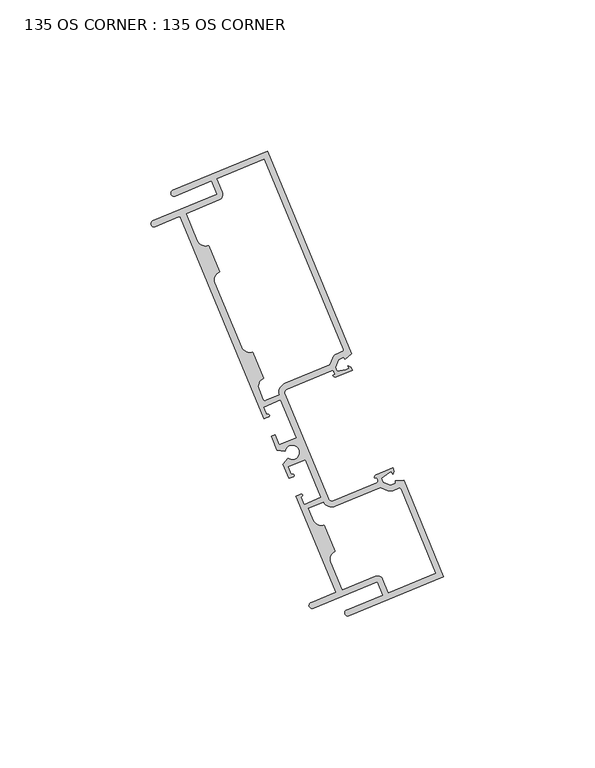
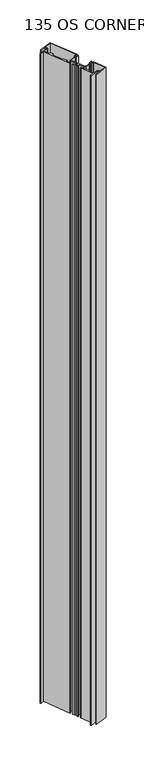
"""IFC4 building model written with IfcOpenShell, lengths in millimetres: plate geometry, 135 OS CORNER : 135 OS CORNER."""

from ifc_helpers import new_model, si_unit, frame, origin, place, context, project, spatial, polyline, circle_curve, source, transform, mapped, element, save
from ifc_brep_helpers import plane_surface, cylinder_surface, revolved_surface, extruded_surface, spline_curve, advanced_brep


def plate_135_os_corner_135_os_corner_0a768722(model_context):
    return source(origin(), model_context, "Body", "AdvancedBrep", [
        advanced_brep(
        [(-194.9893408, 120.1961381, 1710.2666667), (-194.2112684, 118.3190054, 1710.2666667), (-182.1741547, 123.3083945, 1710.2666667), (-180.3456846, 118.8971325, 1710.2666667), (-201.5807489, 110.0951888, 1710.2666667), (-200.8026765, 108.218056, 1710.2666667), (-193.0125756, 111.4470564, 1710.2666667), (-192.3487743, 111.1722913, 1710.2666667), (-164.7807218, 44.66319, 1710.2666667), (-163.2438193, 45.3002368, 1710.2666667), (-163.5453224, 46.0276257, 1710.2666667), (-164.1645528, 46.4933655, 1710.2666667), (-164.9788664, 48.4579317, 1710.2666667), (-159.2301473, 50.8407784, 1710.2666667), (-154.055966, 38.3578456, 1710.2666667), (-159.8046851, 35.9749989, 1710.2666667), (-161.1760376, 39.2834454, 1710.2666667), (-162.3492456, 38.7971502, 1710.2666667), (-160.4292832, 34.165159, 1710.2666667), (-157.8055179, 33.8203873, 1710.2666667), (-156.881557, 31.5912921, 1710.2666667), (-158.4920206, 29.4914306, 1710.2666667), (-156.5720582, 24.8594394, 1710.2666667), (-155.0351558, 25.4964862, 1710.2666667), (-155.7726229, 26.2474772, 1710.2666667), (-156.7702028, 28.6541812, 1710.2666667), (-151.0214837, 31.0370278, 1710.2666667), (-145.8473025, 18.554095, 1710.2666667), (-151.5960215, 16.1712483, 1710.2666667), (-152.5921198, 18.5743779, 1710.2666667), (-152.602198, 19.626872, 1710.2666667), (-154.1391005, 18.9898253, 1710.2666667), (-140.9570939, -12.8123272, 1710.2666667), (-149.2164781, -16.2358456, 1710.2666667), (-148.4384057, -18.1129784, 1710.2666667), (-127.2033414, -9.3110347, 1710.2666667), (-125.3748713, -13.7222966, 1710.2666667), (-137.4119851, -18.7116857, 1710.2666667), (-136.6339127, -20.5888185, 1710.2666667), (-105.3092599, -7.6047357, 1710.2666667), (-118.5075041, 24.2365908, 1710.2666667), (-121.2630077, 24.0851063, 1710.2666667), (-121.2201487, 23.3055004, 1710.2666667), (-122.9064587, 22.6065242, 1710.2666667), (-125.3610823, 23.6237524, 1710.2666667), (-125.9255118, 24.9854625, 1710.2666667), (-123.4088012, 26.7412253, 1710.2666667), (-122.5171631, 27.1108097, 1710.2666667), (-122.1561246, 26.2397887, 1710.2666667), (-121.7158662, 27.303403, 1710.2666667), (-122.154263, 28.361054, 1710.2666667), (-127.5705003, 26.1160212, 1710.2666667), (-128.0926226, 24.8546328, 1710.2666667), (-127.3701832, 25.1540843, 1710.2666667), (-127.0103247, 24.2859104, 1710.2666667), (-127.3537811, 23.4561588, 1710.2666667), (-141.8194354, 17.4601386, 1710.2666667), (-143.4789386, 18.1470513, 1710.2666667), (-157.8344711, 52.7803853, 1710.2666667), (-157.1475584, 54.4398885, 1710.2666667), (-142.4069335, 60.5498842, 1710.2666667), (-141.5771819, 60.2064278, 1710.2666667), (-141.2173234, 59.3382539, 1710.2666667), (-142.0085055, 59.0103086, 1710.2666667), (-140.7471171, 58.4881862, 1710.2666667), (-135.5371078, 60.6477374, 1710.2666667), (-135.9755046, 61.7053884, 1710.2666667), (-137.039119, 62.1456468, 1710.2666667), (-136.6780804, 61.2746258, 1710.2666667), (-137.5697184, 60.9050415, 1710.2666667), (-140.5905495, 60.3654908, 1710.2666667), (-141.1549789, 61.7272009, 1710.2666667), (-140.1397892, 64.1826683, 1710.2666667), (-138.4534792, 64.8816445, 1710.2666667), (-137.9322358, 64.3003292, 1710.2666667), (-135.8775867, 66.1426552, 1710.2666667), (-163.664688, 133.1802209, 1710.2666667), (-190.431518, 112.5169059, 1710.2666667), (-179.5676122, 117.0199998, 1710.2666667), (-178.4685518, 119.6752049, 1710.2666667), (-180.2970219, 124.0864669, 1710.2666667), (-164.7637483, 130.5250158, 1710.2666667), (-138.6589339, 67.5460386, 1710.2666667), (-138.933699, 66.8822373, 1710.2666667), (-140.6747395, 66.1605752, 1710.2666667), (-142.1181793, 64.7158288, 1710.2666667), (-143.0395379, 62.4873135, 1710.2666667), (-157.9256308, 56.3170213, 1710.2666667), (-159.8728349, 52.4992101, 1710.2666667), (-164.2518787, 50.6840945, 1710.2666667), (-164.91568, 50.9588596, 1710.2666667), (-166.3112744, 54.3257905, 1710.2666667), (-164.8000664, 57.9766975, 1710.2666667), (-168.4472806, 66.7757573, 1710.2666667), (-172.0981877, 68.2869653, 1710.2666667), (-180.9049944, 89.5337617, 1710.2666667), (-179.3937864, 93.1846688, 1710.2666667), (-183.0410006, 101.9837286, 1710.2666667), (-186.6919077, 103.4949366, 1710.2666667), (-121.8852643, 20.8301656, 1710.2666667), (-120.1442237, 21.5518277, 1710.2666667), (-119.4804224, 21.2770626, 1710.2666667), (-107.964465, -6.5056754, 1710.2666667), (-123.4977386, -12.9442243, 1710.2666667), (-125.3262086, -8.5329623, 1710.2666667), (-127.9814138, -7.4339019, 1710.2666667), (-138.8453196, -11.9369958, 1710.2666667), (-142.5897929, -2.9032944, 1710.2666667), (-141.0785849, 0.7476127, 1710.2666667), (-144.7257991, 9.5466725, 1710.2666667), (-148.3767062, 11.0578805, 1710.2666667), (-149.9765932, 14.917676, 1710.2666667), (-145.1319378, 16.9257879, 1710.2666667), (-141.041363, 15.5830058, 1710.2666667), (-126.1552701, 21.7532981, 1710.2666667), (-123.9275206, 20.8300895, 1710.2666667), (-194.9893408, 120.1961381, 0.0), (-163.664688, 133.1802209, 0.0), (-135.8775867, 66.1426552, 0.0), (-137.9322358, 64.3003292, 0.0), (-138.4534792, 64.8816445, 0.0), (-140.1397892, 64.1826683, 0.0), (-141.1549789, 61.7272009, 0.0), (-140.5905495, 60.3654908, 0.0), (-137.5697184, 60.9050415, 0.0), (-136.6780804, 61.2746258, 0.0), (-137.039119, 62.1456468, 0.0), (-135.9755046, 61.7053884, 0.0), (-135.5371078, 60.6477374, 0.0), (-140.7471171, 58.4881862, 0.0), (-142.0085055, 59.0103086, 0.0), (-141.2173234, 59.3382539, 0.0), (-141.5771819, 60.2064278, 0.0), (-142.4069335, 60.5498842, 0.0), (-157.1475584, 54.4398885, 0.0), (-157.8344711, 52.7803853, 0.0), (-143.4789386, 18.1470513, 0.0), (-141.8194354, 17.4601386, 0.0), (-127.3537811, 23.4561588, 0.0), (-127.0103247, 24.2859104, 0.0), (-127.3701832, 25.1540843, 0.0), (-128.0926226, 24.8546328, 0.0), (-127.5705003, 26.1160212, 0.0), (-122.154263, 28.361054, 0.0), (-121.7158662, 27.303403, 0.0), (-122.1561246, 26.2397887, 0.0), (-122.5171631, 27.1108097, 0.0), (-123.4088012, 26.7412253, 0.0), (-125.9255118, 24.9854625, 0.0), (-125.3610823, 23.6237524, 0.0), (-122.9064587, 22.6065242, 0.0), (-121.2201487, 23.3055004, 0.0), (-121.2630077, 24.0851063, 0.0), (-118.5075041, 24.2365908, 0.0), (-105.3092599, -7.6047357, 0.0), (-136.6339127, -20.5888185, 0.0), (-137.4119851, -18.7116857, 0.0), (-125.3748713, -13.7222966, 0.0), (-127.2033414, -9.3110347, 0.0), (-148.4384057, -18.1129784, 0.0), (-149.2164781, -16.2358456, 0.0), (-140.9570939, -12.8123272, 0.0), (-154.1391005, 18.9898253, 0.0), (-152.602198, 19.626872, 0.0), (-152.5921198, 18.5743779, 0.0), (-151.5960215, 16.1712483, 0.0), (-145.8473025, 18.554095, 0.0), (-151.0214837, 31.0370278, 0.0), (-156.7702028, 28.6541812, 0.0), (-155.7726229, 26.2474772, 0.0), (-155.0351558, 25.4964862, 0.0), (-156.5720582, 24.8594394, 0.0), (-158.4920206, 29.4914306, 0.0), (-156.881557, 31.5912921, 0.0), (-157.8055179, 33.8203873, 0.0), (-160.4292832, 34.165159, 0.0), (-162.3492456, 38.7971502, 0.0), (-161.1760376, 39.2834454, 0.0), (-159.8046851, 35.9749989, 0.0), (-154.055966, 38.3578456, 0.0), (-159.2301473, 50.8407784, 0.0), (-164.9788664, 48.4579317, 0.0), (-164.1645528, 46.4933655, 0.0), (-163.5453224, 46.0276257, 0.0), (-163.2438193, 45.3002368, 0.0), (-164.7807218, 44.66319, 0.0), (-192.3487743, 111.1722913, 0.0), (-193.0125756, 111.4470564, 0.0), (-200.8026765, 108.218056, 0.0), (-201.5807489, 110.0951888, 0.0), (-180.3456846, 118.8971325, 0.0), (-182.1741547, 123.3083945, 0.0), (-194.2112684, 118.3190054, 0.0), (-190.431518, 112.5169059, 0.0), (-186.6919077, 103.4949366, 0.0), (-183.0410006, 101.9837286, 0.0), (-179.3937864, 93.1846688, 0.0), (-180.9049944, 89.5337617, 0.0), (-172.0981877, 68.2869653, 0.0), (-168.4472806, 66.7757573, 0.0), (-164.8000664, 57.9766975, 0.0), (-166.3112744, 54.3257905, 0.0), (-164.91568, 50.9588596, 0.0), (-164.2518787, 50.6840945, 0.0), (-159.8728349, 52.4992101, 0.0), (-157.9256308, 56.3170213, 0.0), (-143.0395379, 62.4873135, 0.0), (-142.1181793, 64.7158288, 0.0), (-140.6747395, 66.1605752, 0.0), (-138.933699, 66.8822373, 0.0), (-138.6589339, 67.5460386, 0.0), (-164.7637483, 130.5250158, 0.0), (-180.2970219, 124.0864669, 0.0), (-178.4685518, 119.6752049, 0.0), (-179.5676122, 117.0199998, 0.0), (-121.8852643, 20.8301656, 0.0), (-123.9275206, 20.8300895, 0.0), (-126.1552701, 21.7532981, 0.0), (-141.041363, 15.5830058, 0.0), (-145.1319378, 16.9257879, 0.0), (-149.9765932, 14.917676, 0.0), (-148.3767062, 11.0578805, 0.0), (-144.7257991, 9.5466725, 0.0), (-141.0785849, 0.7476127, 0.0), (-142.5897929, -2.9032944, 0.0), (-138.8453196, -11.9369958, 0.0), (-127.9814138, -7.4339019, 0.0), (-125.3262086, -8.5329623, 0.0), (-123.4977386, -12.9442243, 0.0), (-107.964465, -6.5056754, 0.0), (-119.4804224, 21.2770626, 0.0), (-120.1442237, 21.5518277, 0.0)],
        [
            (0, 1, circle_curve(frame((-194.6003046, 119.2575718, 1710.2666667), z_axis=(0.0, 0.0, 1.0), x_axis=(0.0, 1.0, 0.0)), 1.016)),
            (1, 2),
            (2, 3),
            (3, 4),
            (4, 5, circle_curve(frame((-201.1917127, 109.1566224, 1710.2666667), z_axis=(0.0, 0.0, 1.0), x_axis=(0.0, 1.0, 0.0)), 1.016)),
            (5, 6),
            (6, 7, circle_curve(frame((-192.8180575, 110.9777732, 1710.2666667), z_axis=(0.0, 0.0, -1.0), x_axis=(0.0, 1.0, 0.0)), 0.508)),
            (7, 8),
            (8, 9),
            (9, 10, circle_curve(frame((-163.3945708, 45.6639312, 1710.2666667), z_axis=(0.0, 0.0, 1.0), x_axis=(0.0, 1.0, 0.0)), 0.3937)),
            (10, 11, circle_curve(frame((-163.4602044, 46.7853182, 1710.2666667), z_axis=(0.0, 0.0, -1.0), x_axis=(0.0, 1.0, 0.0)), 0.7624585)),
            (11, 12),
            (12, 13),
            (13, 14),
            (14, 15),
            (15, 16),
            (16, 17),
            (17, 18),
            (18, 19),
            (19, 20, circle_curve(frame((-155.4130844, 33.5060134, 1710.2666667), z_axis=(0.0, 0.0, -1.0), x_axis=(0.0, 1.0, 0.0)), 2.413)),
            (20, 21),
            (21, 22),
            (22, 23),
            (23, 24, spline_curve(3, [(-155.0351558, 25.4964862, 1710.2666667), (-154.829836725, 25.627359564, 1710.2666667), (-154.803596561, 25.671547993, 1710.2666667), (-154.769572684, 25.767327537, 1710.2666667), (-154.779107745, 25.810287821, 1710.2666667), (-154.836012271, 25.988030015, 1710.2666667), (-154.898608943, 26.155672764, 1710.2666667), (-155.177946131, 26.271229765, 1710.2666667), (-155.422366721, 26.169917245, 1710.2666667), (-155.7726229, 26.2474772, 1710.2666667)], [4, 2, 2, 2, 4], [0.0, 0.0005581775979920252, 0.0014141886036385456, 0.002659292844354508, 0.004147214338502557])),
            (24, 25),
            (25, 26),
            (26, 27),
            (27, 28),
            (28, 29),
            (29, 30, spline_curve(3, [(-152.5921198, 18.5743779, 1710.2666667), (-152.399442614, 18.87698398, 1710.2666667), (-152.155021995, 18.978296483, 1710.2666667), (-152.039348669, 19.257585521, 1710.2666667), (-152.113707247, 19.420352961, 1710.2666667), (-152.199233623, 19.586231385, 1710.2666667), (-152.222886904, 19.623339678, 1710.2666667), (-152.314693156, 19.666962577, 1710.2666667), (-152.364499854, 19.679629475, 1710.2666667), (-152.602198, 19.626872, 1710.2666667)], [4, 2, 2, 2, 4], [0.0, 0.0014879214941480494, 0.0027330257348640117, 0.003589036740510532, 0.004147214338502557])),
            (30, 31),
            (31, 32),
            (32, 33),
            (33, 34, circle_curve(frame((-148.8274419, -17.174412, 1710.2666667), z_axis=(0.0, 0.0, 1.0), x_axis=(0.0, 1.0, 0.0)), 1.016)),
            (34, 35),
            (35, 36),
            (36, 37),
            (37, 38, circle_curve(frame((-137.0229489, -19.6502521, 1710.2666667), z_axis=(0.0, 0.0, 1.0), x_axis=(0.0, 1.0, 0.0)), 1.016)),
            (38, 39),
            (39, 40),
            (40, 41),
            (41, 42),
            (42, 43),
            (43, 44),
            (44, 45),
            (45, 46),
            (46, 47),
            (47, 48),
            (48, 49),
            (49, 50),
            (50, 51),
            (51, 52, circle_curve(frame((-127.2008673, 25.2242658, 1710.2666667), z_axis=(0.0, 0.0, 1.0), x_axis=(0.0, 1.0, 0.0)), 0.965327)),
            (52, 53),
            (53, 54),
            (54, 55, circle_curve(frame((-127.5969287, 24.0427628, 1710.2666667), z_axis=(0.0, 0.0, -1.0), x_axis=(0.0, 1.0, 0.0)), 0.635)),
            (55, 56),
            (56, 57, circle_curve(frame((-142.3057306, 18.6333466, 1710.2666667), z_axis=(0.0, 0.0, -1.0), x_axis=(0.0, 1.0, 0.0)), 1.27)),
            (57, 58),
            (58, 59, circle_curve(frame((-156.6612632, 53.2666805, 1710.2666667), z_axis=(0.0, 0.0, -1.0), x_axis=(0.0, 1.0, 0.0)), 1.27)),
            (59, 60),
            (60, 61, circle_curve(frame((-142.1637859, 59.9632802, 1710.2666667), z_axis=(0.0, 0.0, -1.0), x_axis=(0.0, 1.0, 0.0)), 0.635)),
            (61, 62),
            (62, 63),
            (63, 64, circle_curve(frame((-141.1167502, 59.3799416, 1710.2666667), z_axis=(0.0, 0.0, 1.0), x_axis=(0.0, 1.0, 0.0)), 0.965327)),
            (64, 65),
            (65, 66),
            (66, 67),
            (67, 68),
            (68, 69),
            (69, 70),
            (70, 71),
            (71, 72),
            (72, 73),
            (73, 74),
            (74, 75),
            (75, 76),
            (76, 0),
            (77, 78),
            (78, 79, circle_curve(frame((-180.3456846, 118.8971325, 1710.2666667), z_axis=(0.0, 0.0, 1.0), x_axis=(0.0, 1.0, 0.0)), 2.032)),
            (79, 80),
            (80, 81),
            (81, 82),
            (82, 83, circle_curve(frame((-139.1282171, 67.3515205, 1710.2666667), z_axis=(0.0, 0.0, -1.0), x_axis=(0.0, 1.0, 0.0)), 0.508)),
            (83, 84),
            (84, 85, circle_curve(frame((-139.6535196, 63.6968385, 1710.2666667), z_axis=(0.0, 0.0, 1.0), x_axis=(0.0, 1.0, 0.0)), 2.667)),
            (85, 86),
            (86, 87),
            (87, 88, circle_curve(frame((-156.6612632, 53.2666805, 1710.2666667), z_axis=(0.0, 0.0, 1.0), x_axis=(0.0, 1.0, 0.0)), 3.302)),
            (88, 89),
            (89, 90, circle_curve(frame((-164.4463968, 51.1533777, 1710.2666667), z_axis=(0.0, 0.0, -1.0), x_axis=(0.0, 1.0, 0.0)), 0.508)),
            (90, 91),
            (91, 92, circle_curve(frame((-163.7302169, 55.39564, 1710.2666667), z_axis=(0.0, 0.0, -1.0), x_axis=(0.0, 1.0, 0.0)), 2.794)),
            (92, 93),
            (93, 94, circle_curve(frame((-169.5171302, 69.3568149, 1710.2666667), z_axis=(0.0, 0.0, -1.0), x_axis=(0.0, 1.0, 0.0)), 2.794)),
            (94, 95),
            (95, 96, circle_curve(frame((-178.3239368, 90.6036112, 1710.2666667), z_axis=(0.0, 0.0, -1.0), x_axis=(0.0, 1.0, 0.0)), 2.794)),
            (96, 97),
            (97, 98, circle_curve(frame((-184.1108501, 104.5647861, 1710.2666667), z_axis=(0.0, 0.0, -1.0), x_axis=(0.0, 1.0, 0.0)), 2.794)),
            (98, 77),
            (99, 100),
            (100, 101, circle_curve(frame((-119.9497056, 21.0825445, 1710.2666667), z_axis=(0.0, 0.0, -1.0), x_axis=(0.0, 1.0, 0.0)), 0.508)),
            (101, 102),
            (102, 103),
            (103, 104),
            (104, 105, circle_curve(frame((-127.2033414, -9.3110347, 1710.2666667), z_axis=(0.0, 0.0, 1.0), x_axis=(0.0, 1.0, 0.0)), 2.032)),
            (105, 106),
            (106, 107),
            (107, 108, circle_curve(frame((-140.0087354, -1.8334449, 1710.2666667), z_axis=(0.0, 0.0, -1.0), x_axis=(0.0, 1.0, 0.0)), 2.794)),
            (108, 109),
            (109, 110, circle_curve(frame((-145.7956486, 12.12773, 1710.2666667), z_axis=(0.0, 0.0, -1.0), x_axis=(0.0, 1.0, 0.0)), 2.794)),
            (110, 111),
            (111, 112),
            (112, 113, circle_curve(frame((-142.3057306, 18.6333466, 1710.2666667), z_axis=(0.0, 0.0, 1.0), x_axis=(0.0, 1.0, 0.0)), 3.302)),
            (113, 114),
            (114, 115),
            (115, 99, circle_curve(frame((-122.9064843, 23.2939024, 1710.2666667), z_axis=(0.0, 0.0, 1.0), x_axis=(0.0, 1.0, 0.0)), 2.667)),
            (116, 117),
            (117, 118),
            (118, 119),
            (119, 120),
            (120, 121),
            (121, 122),
            (122, 123),
            (123, 124),
            (124, 125),
            (125, 126),
            (126, 127),
            (127, 128),
            (128, 129),
            (129, 130, circle_curve(frame((-141.1167502, 59.3799416, 0.0), z_axis=(0.0, 0.0, -1.0), x_axis=(0.0, 1.0, 0.0)), 0.965327)),
            (130, 131),
            (131, 132),
            (132, 133, circle_curve(frame((-142.1637859, 59.9632802, 0.0), z_axis=(0.0, 0.0, 1.0), x_axis=(0.0, 1.0, 0.0)), 0.635)),
            (133, 134),
            (134, 135, circle_curve(frame((-156.6612632, 53.2666805, 0.0), z_axis=(0.0, 0.0, 1.0), x_axis=(0.0, 1.0, 0.0)), 1.27)),
            (135, 136),
            (136, 137, circle_curve(frame((-142.3057306, 18.6333466, 0.0), z_axis=(0.0, 0.0, 1.0), x_axis=(0.0, 1.0, 0.0)), 1.27)),
            (137, 138),
            (138, 139, circle_curve(frame((-127.5969287, 24.0427628, 0.0), z_axis=(0.0, 0.0, 1.0), x_axis=(0.0, 1.0, 0.0)), 0.635)),
            (139, 140),
            (140, 141),
            (141, 142, circle_curve(frame((-127.2008673, 25.2242658, 0.0), z_axis=(0.0, 0.0, -1.0), x_axis=(0.0, 1.0, 0.0)), 0.965327)),
            (142, 143),
            (143, 144),
            (144, 145),
            (145, 146),
            (146, 147),
            (147, 148),
            (148, 149),
            (149, 150),
            (150, 151),
            (151, 152),
            (152, 153),
            (153, 154),
            (154, 155),
            (155, 156, circle_curve(frame((-137.0229489, -19.6502521, 0.0), z_axis=(0.0, 0.0, -1.0), x_axis=(0.0, 1.0, 0.0)), 1.016)),
            (156, 157),
            (157, 158),
            (158, 159),
            (159, 160, circle_curve(frame((-148.8274419, -17.174412, 0.0), z_axis=(0.0, 0.0, -1.0), x_axis=(0.0, 1.0, 0.0)), 1.016)),
            (160, 161),
            (161, 162),
            (162, 163),
            (163, 164, spline_curve(3, [(-152.602198, 19.626872, 0.0), (-152.364499854, 19.679629475, 0.0), (-152.314693156, 19.666962577, 0.0), (-152.222886904, 19.623339678, 0.0), (-152.199233623, 19.586231385, 0.0), (-152.113707247, 19.420352961, 0.0), (-152.039348669, 19.257585521, 0.0), (-152.155021995, 18.978296483, 0.0), (-152.399442614, 18.87698398, 0.0), (-152.5921198, 18.5743779, 0.0)], [4, 2, 2, 2, 4], [0.0, 0.0005581775979920252, 0.0014141886036385456, 0.002659292844354508, 0.004147214338502557])),
            (164, 165),
            (165, 166),
            (166, 167),
            (167, 168),
            (168, 169),
            (169, 170, spline_curve(3, [(-155.7726229, 26.2474772, 0.0), (-155.422366721, 26.169917245, 0.0), (-155.177946131, 26.271229765, 0.0), (-154.898608943, 26.155672764, 0.0), (-154.836012271, 25.988030015, 0.0), (-154.779107745, 25.810287821, 0.0), (-154.769572684, 25.767327537, 0.0), (-154.803596561, 25.671547993, 0.0), (-154.829836725, 25.627359564, 0.0), (-155.0351558, 25.4964862, 0.0)], [4, 2, 2, 2, 4], [0.0, 0.0014879214941480494, 0.0027330257348640117, 0.003589036740510532, 0.004147214338502557])),
            (170, 171),
            (171, 172),
            (172, 173),
            (173, 174, circle_curve(frame((-155.4130844, 33.5060134, 0.0), z_axis=(0.0, 0.0, 1.0), x_axis=(0.0, 1.0, 0.0)), 2.413)),
            (174, 175),
            (175, 176),
            (176, 177),
            (177, 178),
            (178, 179),
            (179, 180),
            (180, 181),
            (181, 182),
            (182, 183, circle_curve(frame((-163.4602044, 46.7853182, 0.0), z_axis=(0.0, 0.0, 1.0), x_axis=(0.0, 1.0, 0.0)), 0.7624585)),
            (183, 184, circle_curve(frame((-163.3945708, 45.6639312, 0.0), z_axis=(0.0, 0.0, -1.0), x_axis=(0.0, 1.0, 0.0)), 0.3937)),
            (184, 185),
            (185, 186),
            (186, 187, circle_curve(frame((-192.8180575, 110.9777732, 0.0), z_axis=(0.0, 0.0, 1.0), x_axis=(0.0, 1.0, 0.0)), 0.508)),
            (187, 188),
            (188, 189, circle_curve(frame((-201.1917127, 109.1566224, 0.0), z_axis=(0.0, 0.0, -1.0), x_axis=(0.0, 1.0, 0.0)), 1.016)),
            (189, 190),
            (190, 191),
            (191, 192),
            (192, 116, circle_curve(frame((-194.6003046, 119.2575718, 0.0), z_axis=(0.0, 0.0, -1.0), x_axis=(0.0, 1.0, 0.0)), 1.016)),
            (193, 194),
            (194, 195, circle_curve(frame((-184.1108501, 104.5647861, 0.0), z_axis=(0.0, 0.0, 1.0), x_axis=(0.0, 1.0, 0.0)), 2.794)),
            (195, 196),
            (196, 197, circle_curve(frame((-178.3239368, 90.6036112, 0.0), z_axis=(0.0, 0.0, 1.0), x_axis=(0.0, 1.0, 0.0)), 2.794)),
            (197, 198),
            (198, 199, circle_curve(frame((-169.5171302, 69.3568149, 0.0), z_axis=(0.0, 0.0, 1.0), x_axis=(0.0, 1.0, 0.0)), 2.794)),
            (199, 200),
            (200, 201, circle_curve(frame((-163.7302169, 55.39564, 0.0), z_axis=(0.0, 0.0, 1.0), x_axis=(0.0, 1.0, 0.0)), 2.794)),
            (201, 202),
            (202, 203, circle_curve(frame((-164.4463968, 51.1533777, 0.0), z_axis=(0.0, 0.0, 1.0), x_axis=(0.0, 1.0, 0.0)), 0.508)),
            (203, 204),
            (204, 205, circle_curve(frame((-156.6612632, 53.2666805, 0.0), z_axis=(0.0, 0.0, -1.0), x_axis=(0.0, 1.0, 0.0)), 3.302)),
            (205, 206),
            (206, 207),
            (207, 208, circle_curve(frame((-139.6535196, 63.6968385, 0.0), z_axis=(0.0, 0.0, -1.0), x_axis=(0.0, 1.0, 0.0)), 2.667)),
            (208, 209),
            (209, 210, circle_curve(frame((-139.1282171, 67.3515205, 0.0), z_axis=(0.0, 0.0, 1.0), x_axis=(0.0, 1.0, 0.0)), 0.508)),
            (210, 211),
            (211, 212),
            (212, 213),
            (213, 214, circle_curve(frame((-180.3456846, 118.8971325, 0.0), z_axis=(0.0, 0.0, -1.0), x_axis=(0.0, 1.0, 0.0)), 2.032)),
            (214, 193),
            (215, 216, circle_curve(frame((-122.9064843, 23.2939024, 0.0), z_axis=(0.0, 0.0, -1.0), x_axis=(0.0, 1.0, 0.0)), 2.667)),
            (216, 217),
            (217, 218),
            (218, 219, circle_curve(frame((-142.3057306, 18.6333466, 0.0), z_axis=(0.0, 0.0, -1.0), x_axis=(0.0, 1.0, 0.0)), 3.302)),
            (219, 220),
            (220, 221),
            (221, 222, circle_curve(frame((-145.7956486, 12.12773, 0.0), z_axis=(0.0, 0.0, 1.0), x_axis=(0.0, 1.0, 0.0)), 2.794)),
            (222, 223),
            (223, 224, circle_curve(frame((-140.0087354, -1.8334449, 0.0), z_axis=(0.0, 0.0, 1.0), x_axis=(0.0, 1.0, 0.0)), 2.794)),
            (224, 225),
            (225, 226),
            (226, 227, circle_curve(frame((-127.2033414, -9.3110347, 0.0), z_axis=(0.0, 0.0, -1.0), x_axis=(0.0, 1.0, 0.0)), 2.032)),
            (227, 228),
            (228, 229),
            (229, 230),
            (230, 231, circle_curve(frame((-119.9497056, 21.0825445, 0.0), z_axis=(0.0, 0.0, 1.0), x_axis=(0.0, 1.0, 0.0)), 0.508)),
            (231, 215),
            (76, 117),
            (116, 0),
            (75, 118),
            (74, 119),
            (73, 120),
            (72, 121),
            (71, 122),
            (70, 123),
            (69, 124),
            (68, 125),
            (67, 126),
            (66, 127),
            (65, 128),
            (64, 129),
            (63, 130),
            (62, 131),
            (61, 132),
            (60, 133),
            (59, 134),
            (58, 135),
            (57, 136),
            (56, 137),
            (55, 138),
            (54, 139),
            (53, 140),
            (52, 141),
            (51, 142),
            (50, 143),
            (49, 144),
            (48, 145),
            (47, 146),
            (46, 147),
            (45, 148),
            (44, 149),
            (43, 150),
            (42, 151),
            (41, 152),
            (40, 153),
            (39, 154),
            (38, 155),
            (37, 156),
            (36, 157),
            (35, 158),
            (34, 159),
            (33, 160),
            (32, 161),
            (31, 162),
            (30, 163),
            (29, 164),
            (28, 165),
            (27, 166),
            (26, 167),
            (25, 168),
            (24, 169),
            (23, 170),
            (22, 171),
            (21, 172),
            (20, 173),
            (19, 174),
            (18, 175),
            (17, 176),
            (16, 177),
            (15, 178),
            (14, 179),
            (13, 180),
            (12, 181),
            (11, 182),
            (10, 183),
            (9, 184),
            (8, 185),
            (7, 186),
            (6, 187),
            (5, 188),
            (4, 189),
            (3, 190),
            (2, 191),
            (1, 192),
            (98, 194),
            (193, 77),
            (97, 195),
            (96, 196),
            (95, 197),
            (94, 198),
            (93, 199),
            (92, 200),
            (91, 201),
            (90, 202),
            (89, 203),
            (88, 204),
            (87, 205),
            (86, 206),
            (85, 207),
            (84, 208),
            (83, 209),
            (82, 210),
            (81, 211),
            (80, 212),
            (79, 213),
            (78, 214),
            (115, 216),
            (215, 99),
            (114, 217),
            (113, 218),
            (112, 219),
            (111, 220),
            (110, 221),
            (109, 222),
            (108, 223),
            (107, 224),
            (106, 225),
            (105, 226),
            (104, 227),
            (103, 228),
            (102, 229),
            (101, 230),
            (100, 231),
        ],
        [
            plane_surface(frame((-203.2, 0.0, 1710.2666667), z_axis=(0.0, 0.0, 1.0), x_axis=(0.0, 1.0, 0.0))),
            plane_surface(frame((-203.2, 0.0, 0.0), z_axis=(0.0, 0.0, -1.0), x_axis=(0.0, 1.0, 0.0))),
            plane_surface(frame((-194.9893408, 120.1961381, 1710.2666667), z_axis=(-0.3829096331000198, 0.9237858046534425, 0.0), x_axis=(0.0, 0.0, -1.0))),
            plane_surface(frame((-163.664688, 133.1802209, 1710.2666667), z_axis=(0.9237858046534428, 0.3829096331000189, 0.0), x_axis=(0.0, 0.0, -1.0))),
            plane_surface(frame((-135.8775867, 66.1426552, 1710.2666667), z_axis=(0.6675905873326297, -0.7445285808515846, 0.0), x_axis=(0.0, 0.0, -1.0))),
            plane_surface(frame((-137.9322358, 64.3003292, 1710.2666667), z_axis=(-0.7445285808515731, -0.6675905873326424, 0.0), x_axis=(0.0, 0.0, -1.0))),
            plane_surface(frame((-138.4534792, 64.8816445, 1710.2666667), z_axis=(0.3829096331000343, -0.9237858046534365, 0.0), x_axis=(0.0, 0.0, -1.0))),
            plane_surface(frame((-140.1397892, 64.1826683, 1710.2666667), z_axis=(0.9241319012056101, -0.3820735913068378, 0.0), x_axis=(0.0, 0.0, -1.0))),
            plane_surface(frame((-141.1549789, 61.7272009, 1710.2666667), z_axis=(0.923785804653419, 0.38290963310007675, 0.0), x_axis=(0.0, 0.0, -1.0))),
            plane_surface(frame((-140.5905495, 60.3654908, 1710.2666667), z_axis=(-0.1758274455206492, 0.9844210021132641, 0.0), x_axis=(0.0, 0.0, -1.0))),
            plane_surface(frame((-137.5697184, 60.9050415, 1710.2666667), z_axis=(-0.38290963309996884, 0.9237858046534636, 0.0), x_axis=(0.0, 0.0, -1.0))),
            plane_surface(frame((-136.6780804, 61.2746258, 1710.2666667), z_axis=(-0.9237858046534105, -0.38290963310009696, 0.0), x_axis=(0.0, 0.0, -1.0))),
            plane_surface(frame((-137.039119, 62.1456468, 1710.2666667), z_axis=(0.3824572086876178, 0.9239732049810081, 0.0), x_axis=(0.0, 0.0, -1.0))),
            plane_surface(frame((-135.9755046, 61.7053884, 1710.2666667), z_axis=(0.9237858046534543, 0.38290963309999154, 0.0), x_axis=(0.0, 0.0, -1.0))),
            plane_surface(frame((-135.5371078, 60.6477374, 1710.2666667), z_axis=(0.38290963310002013, -0.9237858046534424, 0.0), x_axis=(0.0, 0.0, -1.0))),
            cylinder_surface(frame((-141.1167502, 59.3799416, 1710.2666667), z_axis=(0.0, 0.0, 1.0), x_axis=(0.0, 1.0, 0.0)), 0.965327),
            plane_surface(frame((-142.0085055, 59.0103086, 1710.2666667), z_axis=(-0.3829096331000153, 0.9237858046534444, 0.0), x_axis=(0.0, 0.0, -1.0))),
            plane_surface(frame((-141.2173234, 59.3382539, 1710.2666667), z_axis=(-0.923785804653481, -0.38290963309992687, 0.0), x_axis=(0.0, 0.0, -1.0))),
            revolved_surface(polyline([(-142.1637859, 60.5982802, 0.0), (-142.1637859, 60.5982802, 1710.2666667)]), (-142.1637859, 59.9632802, 1710.2666667), (0.0, 0.0, -1.0)),
            plane_surface(frame((-142.4069335, 60.5498842, 1710.2666667), z_axis=(0.38290963310002174, -0.9237858046534417, 0.0), x_axis=(0.0, 0.0, -1.0))),
            revolved_surface(polyline([(-156.6612632, 54.5366805, 0.0), (-156.6612632, 54.5366805, 1710.2666667)]), (-156.6612632, 53.2666805, 1710.2666667), (0.0, 0.0, -1.0)),
            plane_surface(frame((-157.8344711, 52.7803853, 1710.2666667), z_axis=(0.9237858046534492, 0.3829096331000037, 0.0), x_axis=(0.0, 0.0, -1.0))),
            revolved_surface(polyline([(-142.3057306, 19.9033466, 0.0), (-142.3057306, 19.9033466, 1710.2666667)]), (-142.3057306, 18.6333466, 1710.2666667), (0.0, 0.0, -1.0)),
            plane_surface(frame((-141.8194354, 17.4601386, 1710.2666667), z_axis=(-0.38290963310001813, 0.9237858046534432, 0.0), x_axis=(0.0, 0.0, -1.0))),
            revolved_surface(polyline([(-127.5969287, 24.6777628, 0.0), (-127.5969287, 24.6777628, 1710.2666667)]), (-127.5969287, 24.0427628, 1710.2666667), (0.0, 0.0, -1.0)),
            plane_surface(frame((-127.0103247, 24.2859104, 1710.2666667), z_axis=(-0.923785804653425, -0.38290963310006226, 0.0), x_axis=(0.0, 0.0, -1.0))),
            plane_surface(frame((-127.3701832, 25.1540843, 1710.2666667), z_axis=(0.3829096331000145, -0.9237858046534448, 0.0), x_axis=(0.0, 0.0, -1.0))),
            cylinder_surface(frame((-127.2008673, 25.2242658, 1710.2666667), z_axis=(0.0, 0.0, 1.0), x_axis=(0.0, 1.0, 0.0)), 0.965327),
            plane_surface(frame((-127.5705003, 26.1160212, 1710.2666667), z_axis=(-0.38290963310001713, 0.9237858046534436, 0.0), x_axis=(0.0, 0.0, -1.0))),
            plane_surface(frame((-122.154263, 28.361054, 1710.2666667), z_axis=(0.9237858046534378, 0.382909633100031, 0.0), x_axis=(0.0, 0.0, -1.0))),
            plane_surface(frame((-121.7158662, 27.303403, 1710.2666667), z_axis=(0.9239732049809991, -0.38245720868763966, 0.0), x_axis=(0.0, 0.0, -1.0))),
            plane_surface(frame((-122.1561246, 26.2397887, 1710.2666667), z_axis=(-0.9237858046534388, -0.3829096331000287, 0.0), x_axis=(0.0, 0.0, -1.0))),
            plane_surface(frame((-122.5171631, 27.1108097, 1710.2666667), z_axis=(0.3829096331000716, -0.9237858046534211, 0.0), x_axis=(0.0, 0.0, -1.0))),
            plane_surface(frame((-123.4088012, 26.7412253, 1710.2666667), z_axis=(0.5721636785109276, -0.8201394546007672, 0.0), x_axis=(0.0, 0.0, -1.0))),
            plane_surface(frame((-125.9255118, 24.9854625, 1710.2666667), z_axis=(0.9237858046534291, 0.3829096331000524, 0.0), x_axis=(0.0, 0.0, -1.0))),
            plane_surface(frame((-125.3610823, 23.6237524, 1710.2666667), z_axis=(0.3828407601532014, 0.9238143495125625, 0.0), x_axis=(0.0, 0.0, -1.0))),
            plane_surface(frame((-122.9064587, 22.6065242, 1710.2666667), z_axis=(-0.3829096331000224, 0.9237858046534414, 0.0), x_axis=(0.0, 0.0, -1.0))),
            plane_surface(frame((-121.2201487, 23.3055004, 1710.2666667), z_axis=(-0.9984922785722319, -0.05489234583830834, 0.0), x_axis=(0.0, 0.0, -1.0))),
            plane_surface(frame((-121.2630077, 24.0851063, 1710.2666667), z_axis=(-0.0548923458382652, 0.9984922785722343, 0.0), x_axis=(0.0, 0.0, -1.0))),
            plane_surface(frame((-118.5075041, 24.2365908, 1710.2666667), z_axis=(0.9237858046534433, 0.382909633100018, 0.0), x_axis=(0.0, 0.0, -1.0))),
            plane_surface(frame((-105.3092599, -7.6047357, 1710.2666667), z_axis=(0.38290963310001835, -0.9237858046534431, 0.0), x_axis=(0.0, 0.0, -1.0))),
            cylinder_surface(frame((-137.0229489, -19.6502521, 1710.2666667), z_axis=(0.0, 0.0, 1.0), x_axis=(0.0, 1.0, 0.0)), 1.016),
            plane_surface(frame((-137.4119851, -18.7116857, 1710.2666667), z_axis=(-0.3829096331000197, 0.9237858046534425, 0.0), x_axis=(0.0, 0.0, -1.0))),
            plane_surface(frame((-125.3748713, -13.7222966, 1710.2666667), z_axis=(-0.9237858046534428, -0.38290963310001913, 0.0), x_axis=(0.0, 0.0, -1.0))),
            plane_surface(frame((-127.2033414, -9.3110347, 1710.2666667), z_axis=(0.38290963310001774, -0.9237858046534434, 0.0), x_axis=(0.0, 0.0, -1.0))),
            cylinder_surface(frame((-148.8274419, -17.174412, 1710.2666667), z_axis=(0.0, 0.0, 1.0), x_axis=(0.0, 1.0, 0.0)), 1.016),
            plane_surface(frame((-149.2164781, -16.2358456, 1710.2666667), z_axis=(-0.3829096331000187, 0.923785804653443, 0.0), x_axis=(0.0, 0.0, -1.0))),
            plane_surface(frame((-140.9570939, -12.8123272, 1710.2666667), z_axis=(-0.9237858046534418, -0.38290963310002146, 0.0), x_axis=(0.0, 0.0, -1.0))),
            plane_surface(frame((-154.1391005, 18.9898253, 1710.2666667), z_axis=(-0.38290963310002435, 0.9237858046534407, 0.0), x_axis=(0.0, 0.0, -1.0))),
            extruded_surface(spline_curve(3, [(-152.602198, 19.626872, 1710.2666667), (-152.364499854, 19.679629475, 1710.2666667), (-152.314693156, 19.666962577, 1710.2666667), (-152.222886904, 19.623339678, 1710.2666667), (-152.199233623, 19.586231385, 1710.2666667), (-152.113707247, 19.420352961, 1710.2666667), (-152.039348669, 19.257585521, 1710.2666667), (-152.155021995, 18.978296483, 1710.2666667), (-152.399442614, 18.87698398, 1710.2666667), (-152.5921198, 18.5743779, 1710.2666667)], [4, 2, 2, 2, 4], [0.0, 0.0005581775979920252, 0.0014141886036385456, 0.002659292844354508, 0.004147214338502557]), (0.0, 0.0, -1710.2666667), 1710.2666667),
            plane_surface(frame((-152.5921198, 18.5743779, 1710.2666667), z_axis=(0.9237858046534478, 0.3829096331000072, 0.0), x_axis=(0.0, 0.0, -1.0))),
            plane_surface(frame((-151.5960215, 16.1712483, 1710.2666667), z_axis=(-0.3829096331000226, 0.9237858046534414, 0.0), x_axis=(0.0, 0.0, -1.0))),
            plane_surface(frame((-145.8473025, 18.554095, 1710.2666667), z_axis=(-0.9237858046534424, -0.3829096331000201, 0.0), x_axis=(0.0, 0.0, -1.0))),
            plane_surface(frame((-151.0214837, 31.0370278, 1710.2666667), z_axis=(0.3829096331000185, -0.9237858046534431, 0.0), x_axis=(0.0, 0.0, -1.0))),
            plane_surface(frame((-156.7702028, 28.6541812, 1710.2666667), z_axis=(0.923785804653447, 0.38290963310000914, 0.0), x_axis=(0.0, 0.0, -1.0))),
            extruded_surface(spline_curve(3, [(-155.7726229, 26.2474772, 1710.2666667), (-155.422366721, 26.169917245, 1710.2666667), (-155.177946131, 26.271229765, 1710.2666667), (-154.898608943, 26.155672764, 1710.2666667), (-154.836012271, 25.988030015, 1710.2666667), (-154.779107745, 25.810287821, 1710.2666667), (-154.769572684, 25.767327537, 1710.2666667), (-154.803596561, 25.671547993, 1710.2666667), (-154.829836725, 25.627359564, 1710.2666667), (-155.0351558, 25.4964862, 1710.2666667)], [4, 2, 2, 2, 4], [0.0, 0.0014879214941480494, 0.0027330257348640117, 0.003589036740510532, 0.004147214338502557]), (0.0, 0.0, -1710.2666667), 1710.2666667),
            plane_surface(frame((-155.0351558, 25.4964862, 1710.2666667), z_axis=(0.3829096331000227, -0.9237858046534413, 0.0), x_axis=(0.0, 0.0, -1.0))),
            plane_surface(frame((-156.5720582, 24.8594394, 1710.2666667), z_axis=(-0.9237858046534466, -0.3829096331000102, 0.0), x_axis=(0.0, 0.0, -1.0))),
            plane_surface(frame((-158.4920206, 29.4914306, 1710.2666667), z_axis=(-0.7935023719450612, 0.6085671579353931, 0.0), x_axis=(0.0, 0.0, -1.0))),
            revolved_surface(polyline([(-155.4130844, 35.9190134, 0.0), (-155.4130844, 35.9190134, 1710.2666667)]), (-155.4130844, 33.5060134, 1710.2666667), (0.0, 0.0, -1.0)),
            plane_surface(frame((-157.8055179, 33.8203873, 1710.2666667), z_axis=(-0.13028343270839846, -0.9914767910353304, 0.0), x_axis=(0.0, 0.0, -1.0))),
            plane_surface(frame((-160.4292832, 34.165159, 1710.2666667), z_axis=(-0.9237858046534395, -0.38290963310002696, 0.0), x_axis=(0.0, 0.0, -1.0))),
            plane_surface(frame((-162.3492456, 38.7971502, 1710.2666667), z_axis=(-0.38290963309998766, 0.9237858046534558, 0.0), x_axis=(0.0, 0.0, -1.0))),
            plane_surface(frame((-161.1760376, 39.2834454, 1710.2666667), z_axis=(0.9237858046534451, 0.3829096331000136, 0.0), x_axis=(0.0, 0.0, -1.0))),
            plane_surface(frame((-159.8046851, 35.9749989, 1710.2666667), z_axis=(-0.38290963310001286, 0.9237858046534454, 0.0), x_axis=(0.0, 0.0, -1.0))),
            plane_surface(frame((-154.055966, 38.3578456, 1710.2666667), z_axis=(-0.9237858046534434, -0.38290963310001763, 0.0), x_axis=(0.0, 0.0, -1.0))),
            plane_surface(frame((-159.2301473, 50.8407784, 1710.2666667), z_axis=(0.38290963310001763, -0.9237858046534434, 0.0), x_axis=(0.0, 0.0, -1.0))),
            plane_surface(frame((-164.9788664, 48.4579317, 1710.2666667), z_axis=(0.9237858046534422, 0.3829096331000207, 0.0), x_axis=(0.0, 0.0, -1.0))),
            revolved_surface(polyline([(-163.4602044, 47.5477767, 0.0), (-163.4602044, 47.5477767, 1710.2666667)]), (-163.4602044, 46.7853182, 1710.2666667), (0.0, 0.0, -1.0)),
            cylinder_surface(frame((-163.3945708, 45.6639312, 1710.2666667), z_axis=(0.0, 0.0, 1.0), x_axis=(0.0, 1.0, 0.0)), 0.3937),
            plane_surface(frame((-163.2438193, 45.3002368, 1710.2666667), z_axis=(0.3829096331000136, -0.9237858046534451, 0.0), x_axis=(0.0, 0.0, -1.0))),
            plane_surface(frame((-164.7807218, 44.66319, 1710.2666667), z_axis=(-0.9237858046534431, -0.38290963310001863, 0.0), x_axis=(0.0, 0.0, -1.0))),
            revolved_surface(polyline([(-192.8180575, 111.4857732, 0.0), (-192.8180575, 111.4857732, 1710.2666667)]), (-192.8180575, 110.9777732, 1710.2666667), (0.0, 0.0, -1.0)),
            plane_surface(frame((-193.0125756, 111.4470564, 1710.2666667), z_axis=(0.3829096331000172, -0.9237858046534436, 0.0), x_axis=(0.0, 0.0, -1.0))),
            cylinder_surface(frame((-201.1917127, 109.1566224, 1710.2666667), z_axis=(0.0, 0.0, 1.0), x_axis=(0.0, 1.0, 0.0)), 1.016),
            plane_surface(frame((-201.5807489, 110.0951888, 1710.2666667), z_axis=(-0.38290963310001835, 0.9237858046534431, 0.0), x_axis=(0.0, 0.0, -1.0))),
            plane_surface(frame((-180.3456846, 118.8971325, 1710.2666667), z_axis=(-0.9237858046534431, -0.38290963310001846, 0.0), x_axis=(0.0, 0.0, -1.0))),
            plane_surface(frame((-182.1741547, 123.3083945, 1710.2666667), z_axis=(0.3829096331000188, -0.923785804653443, 0.0), x_axis=(0.0, 0.0, -1.0))),
            cylinder_surface(frame((-194.6003046, 119.2575718, 1710.2666667), z_axis=(0.0, 0.0, 1.0), x_axis=(0.0, 1.0, 0.0)), 1.016),
            plane_surface(frame((-190.431518, 112.5169059, 1710.2666667), z_axis=(0.9237858046534438, 0.3829096331000167, 0.0), x_axis=(0.0, 0.0, -1.0))),
            revolved_surface(polyline([(-184.1108501, 107.3587861, 0.0), (-184.1108501, 107.3587861, 1710.2666667)]), (-184.1108501, 104.5647861, 1710.2666667), (0.0, 0.0, -1.0)),
            plane_surface(frame((-183.0410006, 101.9837286, 1710.2666667), z_axis=(0.9237858046534438, 0.3829096331000165, 0.0), x_axis=(0.0, 0.0, -1.0))),
            revolved_surface(polyline([(-178.3239368, 93.3976112, 0.0), (-178.3239368, 93.3976112, 1710.2666667)]), (-178.3239368, 90.6036112, 1710.2666667), (0.0, 0.0, -1.0)),
            plane_surface(frame((-180.9049944, 89.5337617, 1710.2666667), z_axis=(0.9237858046534438, 0.3829096331000167, 0.0), x_axis=(0.0, 0.0, -1.0))),
            revolved_surface(polyline([(-169.5171302, 72.1508149, 0.0), (-169.5171302, 72.1508149, 1710.2666667)]), (-169.5171302, 69.3568149, 1710.2666667), (0.0, 0.0, -1.0)),
            plane_surface(frame((-168.4472806, 66.7757573, 1710.2666667), z_axis=(0.9237858046534446, 0.38290963310001497, 0.0), x_axis=(0.0, 0.0, -1.0))),
            revolved_surface(polyline([(-163.7302169, 58.18964, 0.0), (-163.7302169, 58.18964, 1710.2666667)]), (-163.7302169, 55.39564, 1710.2666667), (0.0, 0.0, -1.0)),
            plane_surface(frame((-166.3112744, 54.3257905, 1710.2666667), z_axis=(0.9237858046534421, 0.3829096331000208, 0.0), x_axis=(0.0, 0.0, -1.0))),
            revolved_surface(polyline([(-164.4463968, 51.6613777, 0.0), (-164.4463968, 51.6613777, 1710.2666667)]), (-164.4463968, 51.1533777, 1710.2666667), (0.0, 0.0, -1.0)),
            plane_surface(frame((-164.2518787, 50.6840945, 1710.2666667), z_axis=(-0.38290963310001697, 0.9237858046534437, 0.0), x_axis=(0.0, 0.0, -1.0))),
            cylinder_surface(frame((-156.6612632, 53.2666805, 1710.2666667), z_axis=(0.0, 0.0, 1.0), x_axis=(0.0, 1.0, 0.0)), 3.302),
            plane_surface(frame((-157.9256308, 56.3170213, 1710.2666667), z_axis=(-0.38290963310001763, 0.9237858046534434, 0.0), x_axis=(0.0, 0.0, -1.0))),
            plane_surface(frame((-143.0395379, 62.4873135, 1710.2666667), z_axis=(-0.9241319012055962, 0.38207359130687146, 0.0), x_axis=(0.0, 0.0, -1.0))),
            cylinder_surface(frame((-139.6535196, 63.6968385, 1710.2666667), z_axis=(0.0, 0.0, 1.0), x_axis=(0.0, 1.0, 0.0)), 2.667),
            plane_surface(frame((-140.6747395, 66.1605752, 1710.2666667), z_axis=(-0.38290963309999637, 0.9237858046534523, 0.0), x_axis=(0.0, 0.0, -1.0))),
            revolved_surface(polyline([(-139.1282171, 67.8595205, 0.0), (-139.1282171, 67.8595205, 1710.2666667)]), (-139.1282171, 67.3515205, 1710.2666667), (0.0, 0.0, -1.0)),
            plane_surface(frame((-138.6589339, 67.5460386, 1710.2666667), z_axis=(-0.9237858046534431, -0.38290963310001846, 0.0), x_axis=(0.0, 0.0, -1.0))),
            plane_surface(frame((-164.7637483, 130.5250158, 1710.2666667), z_axis=(0.3829096331000187, -0.923785804653443, 0.0), x_axis=(0.0, 0.0, -1.0))),
            plane_surface(frame((-180.2970219, 124.0864669, 1710.2666667), z_axis=(0.9237858046534455, 0.3829096331000126, 0.0), x_axis=(0.0, 0.0, -1.0))),
            cylinder_surface(frame((-180.3456846, 118.8971325, 1710.2666667), z_axis=(0.0, 0.0, 1.0), x_axis=(0.0, 1.0, 0.0)), 2.032),
            plane_surface(frame((-179.5676122, 117.0199998, 1710.2666667), z_axis=(0.38290963310001863, -0.923785804653443, 0.0), x_axis=(0.0, 0.0, -1.0))),
            cylinder_surface(frame((-122.9064843, 23.2939024, 1710.2666667), z_axis=(0.0, 0.0, 1.0), x_axis=(0.0, 1.0, 0.0)), 2.667),
            plane_surface(frame((-123.9275206, 20.8300895, 1710.2666667), z_axis=(-0.382840760153109, -0.9238143495126008, 0.0), x_axis=(0.0, 0.0, -1.0))),
            plane_surface(frame((-126.1552701, 21.7532981, 1710.2666667), z_axis=(0.38290963310001724, -0.9237858046534436, 0.0), x_axis=(0.0, 0.0, -1.0))),
            cylinder_surface(frame((-142.3057306, 18.6333466, 1710.2666667), z_axis=(0.0, 0.0, 1.0), x_axis=(0.0, 1.0, 0.0)), 3.302),
            plane_surface(frame((-145.1319378, 16.9257879, 1710.2666667), z_axis=(0.38290963310001835, -0.9237858046534432, 0.0), x_axis=(0.0, 0.0, -1.0))),
            plane_surface(frame((-149.9765932, 14.917676, 1710.2666667), z_axis=(0.9237858046534405, 0.3829096331000247, 0.0), x_axis=(0.0, 0.0, -1.0))),
            revolved_surface(polyline([(-145.7956486, 14.92173, 0.0), (-145.7956486, 14.92173, 1710.2666667)]), (-145.7956486, 12.12773, 1710.2666667), (0.0, 0.0, -1.0)),
            plane_surface(frame((-144.7257991, 9.5466725, 1710.2666667), z_axis=(0.9237858046534443, 0.3829096331000156, 0.0), x_axis=(0.0, 0.0, -1.0))),
            revolved_surface(polyline([(-140.0087354, 0.9605551000000001, 0.0), (-140.0087354, 0.9605551000000001, 1710.2666667)]), (-140.0087354, -1.8334449, 1710.2666667), (0.0, 0.0, -1.0)),
            plane_surface(frame((-142.5897929, -2.9032944, 1710.2666667), z_axis=(0.9237858046534454, 0.38290963310001286, 0.0), x_axis=(0.0, 0.0, -1.0))),
            plane_surface(frame((-138.8453196, -11.9369958, 1710.2666667), z_axis=(-0.3829096331000179, 0.9237858046534434, 0.0), x_axis=(0.0, 0.0, -1.0))),
            cylinder_surface(frame((-127.2033414, -9.3110347, 1710.2666667), z_axis=(0.0, 0.0, 1.0), x_axis=(0.0, 1.0, 0.0)), 2.032),
            plane_surface(frame((-125.3262086, -8.5329623, 1710.2666667), z_axis=(0.9237858046534462, 0.38290963310001097, 0.0), x_axis=(0.0, 0.0, -1.0))),
            plane_surface(frame((-123.4977386, -12.9442243, 1710.2666667), z_axis=(-0.3829096331000187, 0.923785804653443, 0.0), x_axis=(0.0, 0.0, -1.0))),
            plane_surface(frame((-107.964465, -6.5056754, 1710.2666667), z_axis=(-0.9237858046534431, -0.38290963310001863, 0.0), x_axis=(0.0, 0.0, -1.0))),
            revolved_surface(polyline([(-119.9497056, 21.5905445, 0.0), (-119.9497056, 21.5905445, 1710.2666667)]), (-119.9497056, 21.0825445, 1710.2666667), (0.0, 0.0, -1.0)),
            plane_surface(frame((-120.1442237, 21.5518277, 1710.2666667), z_axis=(0.38290963310003234, -0.9237858046534373, 0.0), x_axis=(0.0, 0.0, -1.0))),
        ],
        [
            (0, [[1, 2, 3, 4, 5, 6, 7, 8, 9, 10, 11, 12, 13, 14, 15, 16, 17, 18, 19, 20, 21, 22, 23, 24, 25, 26, 27, 28, 29, 30, 31, 32, 33, 34, 35, 36, 37, 38, 39, 40, 41, 42, 43, 44, 45, 46, 47, 48, 49, 50, 51, 52, 53, 54, 55, 56, 57, 58, 59, 60, 61, 62, 63, 64, 65, 66, 67, 68, 69, 70, 71, 72, 73, 74, 75, 76, 77], [78, 79, 80, 81, 82, 83, 84, 85, 86, 87, 88, 89, 90, 91, 92, 93, 94, 95, 96, 97, 98, 99], [100, 101, 102, 103, 104, 105, 106, 107, 108, 109, 110, 111, 112, 113, 114, 115, 116]]),
            (1, [[117, 118, 119, 120, 121, 122, 123, 124, 125, 126, 127, 128, 129, 130, 131, 132, 133, 134, 135, 136, 137, 138, 139, 140, 141, 142, 143, 144, 145, 146, 147, 148, 149, 150, 151, 152, 153, 154, 155, 156, 157, 158, 159, 160, 161, 162, 163, 164, 165, 166, 167, 168, 169, 170, 171, 172, 173, 174, 175, 176, 177, 178, 179, 180, 181, 182, 183, 184, 185, 186, 187, 188, 189, 190, 191, 192, 193], [194, 195, 196, 197, 198, 199, 200, 201, 202, 203, 204, 205, 206, 207, 208, 209, 210, 211, 212, 213, 214, 215], [216, 217, 218, 219, 220, 221, 222, 223, 224, 225, 226, 227, 228, 229, 230, 231, 232]]),
            (2, [[233, -117, 234, -77]]),
            (3, [[235, -118, -233, -76]]),
            (4, [[236, -119, -235, -75]]),
            (5, [[237, -120, -236, -74]]),
            (6, [[238, -121, -237, -73]]),
            (7, [[239, -122, -238, -72]]),
            (8, [[240, -123, -239, -71]]),
            (9, [[241, -124, -240, -70]]),
            (10, [[242, -125, -241, -69]]),
            (11, [[243, -126, -242, -68]]),
            (12, [[244, -127, -243, -67]]),
            (13, [[245, -128, -244, -66]]),
            (14, [[246, -129, -245, -65]]),
            (15, [[247, -130, -246, -64]]),
            (16, [[248, -131, -247, -63]]),
            (17, [[249, -132, -248, -62]]),
            (18, [[250, -133, -249, -61]]),
            (19, [[251, -134, -250, -60]]),
            (20, [[252, -135, -251, -59]]),
            (21, [[253, -136, -252, -58]]),
            (22, [[254, -137, -253, -57]]),
            (23, [[255, -138, -254, -56]]),
            (24, [[256, -139, -255, -55]]),
            (25, [[257, -140, -256, -54]]),
            (26, [[258, -141, -257, -53]]),
            (27, [[259, -142, -258, -52]]),
            (28, [[260, -143, -259, -51]]),
            (29, [[261, -144, -260, -50]]),
            (30, [[262, -145, -261, -49]]),
            (31, [[263, -146, -262, -48]]),
            (32, [[264, -147, -263, -47]]),
            (33, [[265, -148, -264, -46]]),
            (34, [[266, -149, -265, -45]]),
            (35, [[267, -150, -266, -44]]),
            (36, [[268, -151, -267, -43]]),
            (37, [[269, -152, -268, -42]]),
            (38, [[270, -153, -269, -41]]),
            (39, [[271, -154, -270, -40]]),
            (40, [[272, -155, -271, -39]]),
            (41, [[273, -156, -272, -38]]),
            (42, [[274, -157, -273, -37]]),
            (43, [[275, -158, -274, -36]]),
            (44, [[276, -159, -275, -35]]),
            (45, [[277, -160, -276, -34]]),
            (46, [[278, -161, -277, -33]]),
            (47, [[279, -162, -278, -32]]),
            (48, [[280, -163, -279, -31]]),
            (49, [[281, -164, -280, -30]]),
            (50, [[282, -165, -281, -29]]),
            (51, [[283, -166, -282, -28]]),
            (52, [[284, -167, -283, -27]]),
            (53, [[285, -168, -284, -26]]),
            (54, [[286, -169, -285, -25]]),
            (55, [[287, -170, -286, -24]]),
            (56, [[288, -171, -287, -23]]),
            (57, [[289, -172, -288, -22]]),
            (58, [[290, -173, -289, -21]]),
            (59, [[291, -174, -290, -20]]),
            (60, [[292, -175, -291, -19]]),
            (61, [[293, -176, -292, -18]]),
            (62, [[294, -177, -293, -17]]),
            (63, [[295, -178, -294, -16]]),
            (64, [[296, -179, -295, -15]]),
            (65, [[297, -180, -296, -14]]),
            (66, [[298, -181, -297, -13]]),
            (67, [[299, -182, -298, -12]]),
            (68, [[300, -183, -299, -11]]),
            (69, [[301, -184, -300, -10]]),
            (70, [[302, -185, -301, -9]]),
            (71, [[303, -186, -302, -8]]),
            (72, [[304, -187, -303, -7]]),
            (73, [[305, -188, -304, -6]]),
            (74, [[306, -189, -305, -5]]),
            (75, [[307, -190, -306, -4]]),
            (76, [[308, -191, -307, -3]]),
            (77, [[309, -192, -308, -2]]),
            (78, [[-234, -193, -309, -1]]),
            (79, [[310, -194, 311, -99]]),
            (80, [[312, -195, -310, -98]]),
            (81, [[313, -196, -312, -97]]),
            (82, [[314, -197, -313, -96]]),
            (83, [[315, -198, -314, -95]]),
            (84, [[316, -199, -315, -94]]),
            (85, [[317, -200, -316, -93]]),
            (86, [[318, -201, -317, -92]]),
            (87, [[319, -202, -318, -91]]),
            (88, [[320, -203, -319, -90]]),
            (89, [[321, -204, -320, -89]]),
            (90, [[322, -205, -321, -88]]),
            (91, [[323, -206, -322, -87]]),
            (92, [[324, -207, -323, -86]]),
            (93, [[325, -208, -324, -85]]),
            (94, [[326, -209, -325, -84]]),
            (95, [[327, -210, -326, -83]]),
            (96, [[328, -211, -327, -82]]),
            (97, [[329, -212, -328, -81]]),
            (98, [[330, -213, -329, -80]]),
            (99, [[331, -214, -330, -79]]),
            (100, [[-311, -215, -331, -78]]),
            (101, [[332, -216, 333, -116]]),
            (102, [[334, -217, -332, -115]]),
            (103, [[335, -218, -334, -114]]),
            (104, [[336, -219, -335, -113]]),
            (105, [[337, -220, -336, -112]]),
            (106, [[338, -221, -337, -111]]),
            (107, [[339, -222, -338, -110]]),
            (108, [[340, -223, -339, -109]]),
            (109, [[341, -224, -340, -108]]),
            (110, [[342, -225, -341, -107]]),
            (111, [[343, -226, -342, -106]]),
            (112, [[344, -227, -343, -105]]),
            (113, [[345, -228, -344, -104]]),
            (114, [[346, -229, -345, -103]]),
            (115, [[347, -230, -346, -102]]),
            (116, [[348, -231, -347, -101]]),
            (117, [[-333, -232, -348, -100]]),
        ],
    ),
    ])


if __name__ == "__main__":
    model = new_model("IFC4")
    model_context = context("Model", 3, world=origin())
    ifc_project = project(units=[si_unit("LENGTHUNIT", "METRE", prefix="MILLI")], contexts=[model_context])
    site = spatial("IfcSite", under=ifc_project)
    building = spatial("IfcBuilding", under=site)
    placement = place(None, origin())
    plate_135_os_corner_135_os_corner_shape = plate_135_os_corner_135_os_corner_0a768722(model_context)
    element("IfcPlate", 1, ObjectType="135 OS CORNER : 135 OS CORNER", at=placement, inside=building, context=model_context, shape_type="MappedRepresentation", body=[
        mapped(plate_135_os_corner_135_os_corner_shape, transform((0.0, 0.0, 0.0), x_axis=(1.0, 0.0, 0.0), y_axis=(0.0, 1.0, 0.0), z_axis=(0.0, 0.0, 1.0))),
    ])
    save(model, "model.ifc")
